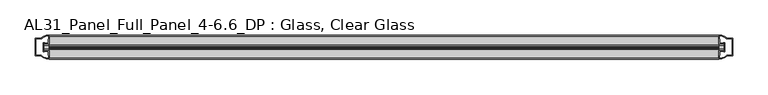
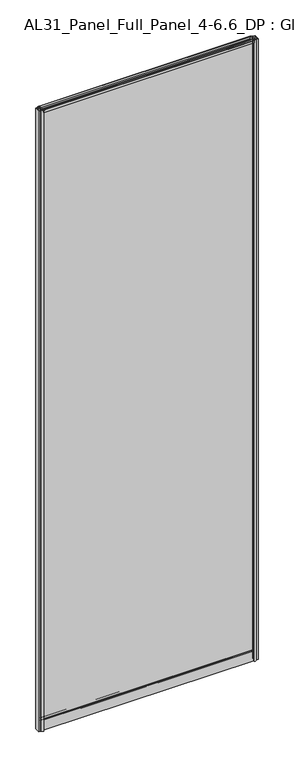
"""IFC4 building model written with IfcOpenShell, lengths in millimetres: plate geometry, AL31_Panel_Full_Panel_4-6.6_DP : Glass, Clear Glass."""

from ifc_helpers import new_model, si_unit, point, frame, frame_2d, origin, origin_with_axes, place, context, project, spatial, polyline, circle_curve, trimmed, segment, composite_curve, outline, extrude, source, transform, mapped, element, save


def al31_panel_full_panel_4_6_6_dp_glass_clear_glass_cbe04f32(model_context):
    return source(origin(), model_context, "Body", "SweptSolid", [
        extrude(outline(composite_curve([segment(trimmed(circle_curve(frame_2d((-19.957, 2961.8572926)), 3.0), [point((-18.457, 2964.4553688))], [point((-17.4851586, 2960.1572926))], False, "CARTESIAN"), True, "CONTINUOUS"), segment(polyline([(-17.4851586, 2960.1572926), (-4.157, 2960.1572926), (-4.157, 2969.5572926), (-2.857, 2969.5572926), (-2.857, 2959.0572926), (-13.1545312, 2959.0572926), (-13.1545312, 2958.2572926), (-13.6601218, 2956.3357964), (-13.6601218, 2951.6572926), (-14.857, 2951.6572926), (-14.857, 2956.9912672), (-14.357, 2957.8572926), (-14.357, 2959.0572926), (-25.357, 2959.0572926), (-25.357, 2957.8572926), (-24.857, 2956.9912672), (-24.857, 2951.6572926), (-26.0538782, 2951.6572926), (-26.0538782, 2956.3357964), (-26.5594688, 2958.2572926), (-26.5594688, 2959.0572926), (-36.857, 2959.0572926), (-36.857, 2969.5572926), (-35.557, 2969.5572926), (-35.557, 2960.1572926), (-22.4288414, 2960.1572926)]), True, "CONTINUOUS"), segment(trimmed(circle_curve(frame_2d((-19.957, 2961.8572926)), 3.0), [point((-22.4288414, 2960.1572926))], [point((-21.457, 2964.4553688))], False, "CARTESIAN"), True, "CONTINUOUS"), segment(polyline([(-21.457, 2964.4553688), (-20.907, 2963.5027409)]), True, "CONTINUOUS"), segment(trimmed(circle_curve(frame_2d((-19.957, 2961.8572926)), 1.9), [point((-20.907, 2963.5027409))], [point((-19.007, 2963.5027409))], True, "CARTESIAN"), True, "CONTINUOUS"), segment(polyline([(-19.007, 2963.5027409), (-18.457, 2964.4553688)]), True, "CONTINUOUS")], self_intersect=False)), frame((-476.2500505, 0.0, 0.0), z_axis=(1.0, 0.0, 0.0), x_axis=(0.0, 1.0, 0.0)), (0.0, 0.0, 1.0), 952.5001009),
        extrude(outline(composite_curve([segment(polyline([(-11.457, 35.8), (-28.257, 35.8)]), True, "CONTINUOUS"), segment(trimmed(circle_curve(frame_2d((-28.257, 34.8)), 1.0), [point((-28.257, 35.8))], [point((-29.257, 34.8))], True, "CARTESIAN"), True, "CONTINUOUS"), segment(polyline([(-29.257, 34.8), (-29.257, 33.5), (-24.8569697, 33.5), (-24.8569697, 32.3), (-29.257, 32.3), (-29.257, 0.0), (-30.457, 0.0), (-30.457, 47.3)]), True, "CONTINUOUS"), segment(trimmed(circle_curve(frame_2d((-28.457, 47.3)), 2.0), [point((-30.457, 47.3))], [point((-28.457, 49.3))], False, "CARTESIAN"), True, "CONTINUOUS"), segment(polyline([(-28.457, 49.3), (-24.857, 49.3), (-24.857, 41.9), (-14.857, 41.9), (-14.857, 49.3), (-11.257, 49.3)]), True, "CONTINUOUS"), segment(trimmed(circle_curve(frame_2d((-11.257, 47.3)), 2.0), [point((-11.257, 49.3))], [point((-9.257, 47.3))], False, "CARTESIAN"), True, "CONTINUOUS"), segment(polyline([(-9.257, 47.3), (-9.257, 0.0), (-10.457, 0.0), (-10.457, 32.3), (-14.8569697, 32.3), (-14.8569697, 33.5), (-10.457, 33.5), (-10.457, 34.8)]), True, "CONTINUOUS"), segment(trimmed(circle_curve(frame_2d((-11.457, 34.8)), 1.0), [point((-10.457, 34.8))], [point((-11.457, 35.8))], True, "CARTESIAN"), True, "CONTINUOUS")], self_intersect=False), holes=[composite_curve([segment(polyline([(-26.3594688, 41.8), (-26.3594688, 42.9)]), True, "CONTINUOUS"), segment(trimmed(circle_curve(frame_2d((-25.1594688, 42.9)), 1.2), [point((-26.3594688, 42.9))], [point((-25.9768184, 43.7786009))], False, "CARTESIAN"), True, "CONTINUOUS"), segment(polyline([(-25.9768184, 43.7786009), (-25.9768184, 48.2), (-28.257, 48.2)]), True, "CONTINUOUS"), segment(trimmed(circle_curve(frame_2d((-28.257, 47.2)), 1.0), [point((-28.257, 48.2))], [point((-29.257, 47.2))], True, "CARTESIAN"), True, "CONTINUOUS"), segment(polyline([(-29.257, 47.2), (-29.257, 37.04), (-22.6578965, 37.04), (-22.6578965, 38.0725806), (-21.6940508, 38.0725806)]), True, "CONTINUOUS"), segment(trimmed(circle_curve(frame_2d((-19.857, 39.1)), 2.1048387), [point((-21.6940508, 38.0725806))], [point((-18.0199492, 38.0725806))], True, "CARTESIAN"), True, "CONTINUOUS"), segment(polyline([(-18.0199492, 38.0725806), (-17.0561035, 38.0725806), (-17.0561035, 37.04), (-10.457, 37.04), (-10.457, 47.2)]), True, "CONTINUOUS"), segment(trimmed(circle_curve(frame_2d((-11.457, 47.2)), 1.0), [point((-10.457, 47.2))], [point((-11.457, 48.2))], True, "CARTESIAN"), True, "CONTINUOUS"), segment(polyline([(-11.457, 48.2), (-13.7371816, 48.2), (-13.7371816, 43.5786009)]), True, "CONTINUOUS"), segment(trimmed(circle_curve(frame_2d((-14.5545312, 42.7)), 1.2), [point((-13.7371816, 43.5786009))], [point((-13.3545312, 42.7))], False, "CARTESIAN"), True, "CONTINUOUS"), segment(polyline([(-13.3545312, 42.7), (-13.3545312, 41.8)]), True, "CONTINUOUS"), segment(trimmed(circle_curve(frame_2d((-14.3545312, 41.8)), 1.0), [point((-13.3545312, 41.8))], [point((-14.3545312, 40.8))], False, "CARTESIAN"), True, "CONTINUOUS"), segment(polyline([(-14.3545312, 40.8), (-17.0561035, 40.8), (-17.0561035, 39.7274194), (-18.0199492, 39.7274194)]), True, "CONTINUOUS"), segment(trimmed(circle_curve(frame_2d((-19.857, 38.7)), 2.1048387), [point((-18.0199492, 39.7274194))], [point((-21.6940508, 39.7274194))], True, "CARTESIAN"), True, "CONTINUOUS"), segment(polyline([(-21.6940508, 39.7274194), (-22.6578965, 39.7274194), (-22.6578965, 40.8), (-25.3594688, 40.8)]), True, "CONTINUOUS"), segment(trimmed(circle_curve(frame_2d((-25.3594688, 41.8)), 1.0), [point((-25.3594688, 40.8))], [point((-26.3594688, 41.8))], False, "CARTESIAN"), True, "CONTINUOUS")], self_intersect=False)]), frame((-476.2500505, 0.0, 0.0), z_axis=(1.0, 0.0, 0.0), x_axis=(0.0, 1.0, 0.0)), (0.0, 0.0, 1.0), 952.5001009),
        extrude(outline(composite_curve([segment(polyline([(-484.0914718, -25.757), (-482.8914718, -25.757), (-482.8914718, -24.857), (-476.2500505, -24.857), (-476.2500505, -36.8571453)]), True, "CONTINUOUS"), segment(trimmed(circle_curve(frame_2d((-475.8853989, -16.8604698)), 20.0), [point((-476.2500505, -36.8571453))], [point((-487.6058857, -33.0663388))], False, "CARTESIAN"), True, "CONTINUOUS"), segment(polyline([(-487.6058857, -33.0663388), (-487.6058857, -32.1849343), (-496.2500505, -32.1849343), (-496.2500505, -7.4849343), (-487.6058857, -7.4849343), (-487.6058857, -6.6474751)]), True, "CONTINUOUS"), segment(trimmed(circle_curve(frame_2d((-475.8853989, -22.8533441)), 20.0), [point((-487.6058857, -6.6474751))], [point((-476.2500505, -2.8566686))], False, "CARTESIAN"), True, "CONTINUOUS"), segment(polyline([(-476.2500505, -2.8566686), (-476.2500505, -14.857), (-482.8914718, -14.857), (-482.8914718, -13.957), (-484.0914718, -13.957), (-484.0914718, -25.757)]), True, "CONTINUOUS")], self_intersect=False), holes=[composite_curve([segment(trimmed(circle_curve(frame_2d((-483.0914718, -14.157)), 1.5), [point((-483.0914718, -12.657))], [point((-481.7362175, -13.5141269))], False, "CARTESIAN"), True, "CONTINUOUS"), segment(polyline([(-481.7362175, -13.5141269), (-477.9914718, -13.5141269), (-477.9914718, -8.917777), (-477.552132, -7.8571168), (-477.552132, -4.2070183)]), True, "CONTINUOUS"), segment(trimmed(circle_curve(frame_2d((-475.8853989, -22.8325921)), 18.7), [point((-477.552132, -4.2070183))], [point((-485.8921766, -7.0353013))], True, "CARTESIAN"), True, "CONTINUOUS"), segment(trimmed(circle_curve(frame_2d((-487.6914718, -6.9849343)), 1.8), [point((-485.8921766, -7.0353013))], [point((-487.6914718, -8.7849343))], False, "CARTESIAN"), True, "CONTINUOUS"), segment(polyline([(-487.6914718, -8.7849343), (-494.8328931, -8.7849343), (-494.8328931, -13.3550394), (-494.3914718, -14.417777), (-494.3914718, -25.2520916), (-494.8914718, -26.2449987), (-494.8914718, -30.8849343), (-487.6914718, -30.8849343)]), True, "CONTINUOUS"), segment(trimmed(circle_curve(frame_2d((-487.6914718, -32.6849343)), 1.8), [point((-487.6914718, -30.8849343))], [point((-485.8921766, -32.6345673))], False, "CARTESIAN"), True, "CONTINUOUS"), segment(trimmed(circle_curve(frame_2d((-475.8853989, -16.8372765)), 18.7), [point((-485.8921766, -32.6345673))], [point((-477.552132, -35.4628503))], True, "CARTESIAN"), True, "CONTINUOUS"), segment(polyline([(-477.552132, -35.4628503), (-477.552132, -31.8127518), (-477.9914718, -30.7520916), (-477.9914718, -26.1561308), (-481.7163201, -26.1561308)]), True, "CONTINUOUS"), segment(trimmed(circle_curve(frame_2d((-483.0914718, -25.557)), 1.5), [point((-481.7163201, -26.1561308))], [point((-483.0914718, -27.057))], False, "CARTESIAN"), True, "CONTINUOUS"), segment(polyline([(-483.0914718, -27.057), (-485.3914718, -27.057), (-485.3914718, -12.657), (-483.0914718, -12.657)]), True, "CONTINUOUS")], self_intersect=False)]), origin_with_axes(), (0.0, 0.0, 1.0), 2969.5572926),
        extrude(outline(composite_curve([segment(polyline([(484.0914718, -13.957), (482.8914718, -13.957), (482.8914718, -14.857), (476.2500505, -14.857), (476.2500505, -2.8568547)]), True, "CONTINUOUS"), segment(trimmed(circle_curve(frame_2d((475.8853989, -22.8535302)), 20.0), [point((476.2500505, -2.8568547))], [point((487.6058857, -6.6476612))], False, "CARTESIAN"), True, "CONTINUOUS"), segment(polyline([(487.6058857, -6.6476612), (487.6058857, -7.5290657), (496.2500505, -7.5290657), (496.2500505, -32.2290657), (487.6058857, -32.2290657), (487.6058857, -33.0665249)]), True, "CONTINUOUS"), segment(trimmed(circle_curve(frame_2d((475.8853989, -16.8606559)), 20.0), [point((487.6058857, -33.0665249))], [point((476.2500505, -36.8573314))], False, "CARTESIAN"), True, "CONTINUOUS"), segment(polyline([(476.2500505, -36.8573314), (476.2500505, -24.857), (482.8914718, -24.857), (482.8914718, -25.757), (484.0914718, -25.757), (484.0914718, -13.957)]), True, "CONTINUOUS")], self_intersect=False), holes=[composite_curve([segment(trimmed(circle_curve(frame_2d((483.0914718, -25.557)), 1.5), [point((483.0914718, -27.057))], [point((481.7362175, -26.1998731))], False, "CARTESIAN"), True, "CONTINUOUS"), segment(polyline([(481.7362175, -26.1998731), (477.9914718, -26.1998731), (477.9914718, -30.796223), (477.552132, -31.8568832), (477.552132, -35.5069817)]), True, "CONTINUOUS"), segment(trimmed(circle_curve(frame_2d((475.8853989, -16.8814079)), 18.7), [point((477.552132, -35.5069817))], [point((485.8921766, -32.6786987))], True, "CARTESIAN"), True, "CONTINUOUS"), segment(trimmed(circle_curve(frame_2d((487.6914718, -32.7290657)), 1.8), [point((485.8921766, -32.6786987))], [point((487.6914718, -30.9290657))], False, "CARTESIAN"), True, "CONTINUOUS"), segment(polyline([(487.6914718, -30.9290657), (494.8328931, -30.9290657), (494.8328931, -26.3589606), (494.3914718, -25.296223), (494.3914718, -14.4619084), (494.8914718, -13.4690013), (494.8914718, -8.8290657), (487.6914718, -8.8290657)]), True, "CONTINUOUS"), segment(trimmed(circle_curve(frame_2d((487.6914718, -7.0290657)), 1.8), [point((487.6914718, -8.8290657))], [point((485.8921766, -7.0794327))], False, "CARTESIAN"), True, "CONTINUOUS"), segment(trimmed(circle_curve(frame_2d((475.8853989, -22.8767235)), 18.7), [point((485.8921766, -7.0794327))], [point((477.552132, -4.2511497))], True, "CARTESIAN"), True, "CONTINUOUS"), segment(polyline([(477.552132, -4.2511497), (477.552132, -7.9012482), (477.9914718, -8.9619084), (477.9914718, -13.5578692), (481.7163201, -13.5578692)]), True, "CONTINUOUS"), segment(trimmed(circle_curve(frame_2d((483.0914718, -14.157)), 1.5), [point((481.7163201, -13.5578692))], [point((483.0914718, -12.657))], False, "CARTESIAN"), True, "CONTINUOUS"), segment(polyline([(483.0914718, -12.657), (485.3914718, -12.657), (485.3914718, -27.057), (483.0914718, -27.057)]), True, "CONTINUOUS")], self_intersect=False)]), origin_with_axes(), (0.0, 0.0, 1.0), 2969.5572926),
        extrude(outline(polyline([(484.0914718, -17.857), (484.0914718, -21.857), (-484.0914718, -21.857), (-484.0914718, -17.857), (484.0914718, -17.857)])), frame((0.0, 0.0, 41.9), z_axis=(0.0, 0.0, 1.0), x_axis=(1.0, 0.0, 0.0)), (0.0, 0.0, 1.0), 2917.1572926),
    ])


if __name__ == "__main__":
    model = new_model("IFC4")
    model_context = context("Model", 3, world=origin())
    ifc_project = project(units=[si_unit("LENGTHUNIT", "METRE", prefix="MILLI")], contexts=[model_context])
    site = spatial("IfcSite", under=ifc_project)
    building = spatial("IfcBuilding", under=site)
    placement = place(None, origin())
    al31_panel_full_panel_4_6_6_dp_glass_clear_glass_shape = al31_panel_full_panel_4_6_6_dp_glass_clear_glass_cbe04f32(model_context)
    element("IfcPlate", 1, ObjectType="AL31_Panel_Full_Panel_4-6.6_DP : Glass, Clear Glass", at=placement, inside=building, context=model_context, shape_type="MappedRepresentation", body=[
        mapped(al31_panel_full_panel_4_6_6_dp_glass_clear_glass_shape, transform((0.0, 0.0, 0.0), x_axis=(1.0, 0.0, 0.0), y_axis=(0.0, 1.0, 0.0), z_axis=(0.0, 0.0, 1.0))),
    ])
    save(model, "model.ifc")
